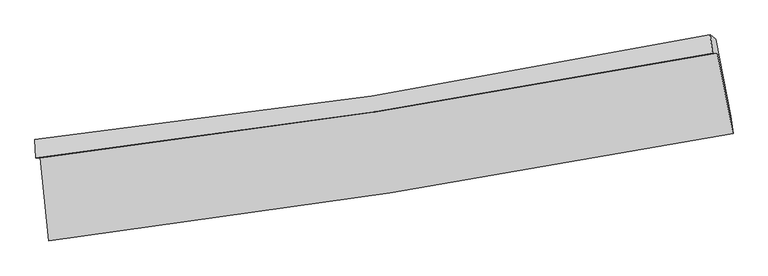
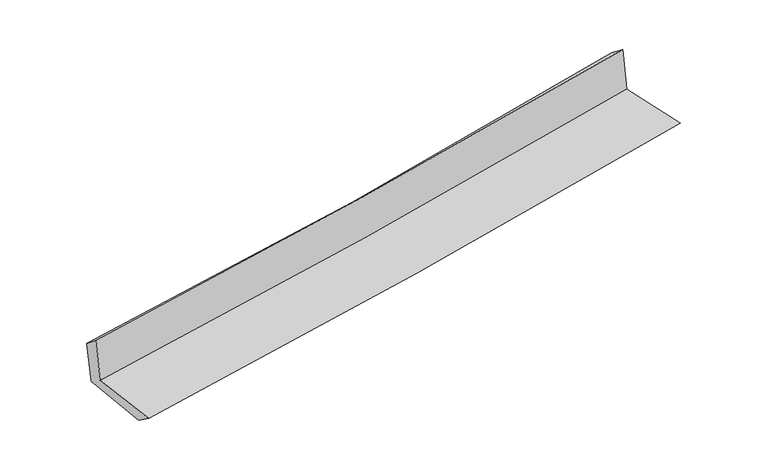
"""IFC4 building model written with IfcOpenShell, lengths in millimetres: proxy geometry."""

from ifc_helpers import new_model, si_unit, frame, origin, place, context, project, spatial, source, transform, mapped, element, save
from ifc_brep_helpers import plane_surface, spline_curve, spline_surface, advanced_brep


def generic_models_67e92027(model_context):
    return source(origin(), model_context, "Body", "AdvancedBrep", [
        advanced_brep(
        [(-2756.7180587, -1907.7644441, 1634.3062551), (-2686.2531052, -2578.2851524, 1635.1771503), (2845.9907858, -1708.106386, 2126.6637024), (2717.7864441, -1056.4135245, 2120.4081117), (-2794.4974344, -1909.1790428, 2047.5141245), (2679.9648277, -1057.8857257, 2528.6413104), (-2799.714541, -1756.9744897, 1929.8951914), (2661.4756681, -910.1241981, 2413.9060237), (-2762.7071938, -1771.83305, 1543.7504314), (2704.614252, -943.7190374, 2022.9503451), (-2692.1099179, -2429.5123799, 1528.46098), (2827.5917279, -1566.2398772, 2023.4417191)],
        [
            (0, 1),
            (1, 2, spline_curve(3, [(-2686.2531052, -2578.2851524, 1635.1771503), (-1765.671222326, -2463.26743772, 1721.251818478), (-847.012364015, -2333.746921982, 1805.023116661), (997.113892735, -2044.026404086, 1968.905819426), (1922.536331518, -1883.48733109, 2048.96337173), (2845.9907858, -1708.106386, 2126.6637024)], [4, 2, 4], [0.0, 9.12122598247194, 18.348461699551684])),
            (2, 3),
            (3, 0, spline_curve(3, [(2717.7864441, -1056.4135245, 2120.4081117), (1804.844668359, -1231.376128252, 2043.682648633), (889.515575208, -1390.120069741, 1964.563638563), (-935.373798948, -1673.533184663, 1802.475004347), (-1844.87953982, -1798.572883328, 1719.560062194), (-2756.7180587, -1907.7644441, 1634.3062551)], [4, 2, 4], [0.0, 9.227235717079745, 18.348461699551684])),
            (4, 0),
            (3, 5),
            (5, 4, spline_curve(3, [(2679.9648277, -1057.8857257, 2528.6413104), (1766.879131128, -1232.840219348, 2454.425687991), (851.482053835, -1391.575273297, 2376.973707816), (-973.39150475, -1674.969169941, 2216.524042816), (-1882.815181708, -1799.998554889, 2133.60029441), (-2794.4974344, -1909.1790428, 2047.5141245)], [4, 2, 4], [0.0, 9.177341023963978, 18.249245542761525])),
            (6, 4),
            (5, 7),
            (7, 6, spline_curve(3, [(2661.4756681, -910.1241981, 2413.9060237), (1752.934478311, -1097.992651585, 2337.224787575), (840.915347928, -1262.772836872, 2258.304034307), (-979.560844187, -1544.528802248, 2096.915927449), (-1887.93845001, -1662.032047621, 2014.499736361), (-2799.714541, -1756.9744897, 1929.8951914)], [4, 2, 4], [0.0, 9.166612270196007, 18.227911295579442])),
            (8, 6),
            (7, 9),
            (9, 8, spline_curve(3, [(2704.614252, -943.7190374, 2022.9503451), (1793.622872624, -1122.123279818, 1948.715245412), (879.868867954, -1280.619249512, 1871.416050021), (-942.634727524, -1556.202437533, 1711.612744416), (-1851.321205077, -1673.744472332, 1629.178635159), (-2762.7071938, -1771.83305, 1543.7504314)], [4, 2, 4], [0.0, 9.158247317064726, 18.211277492471567])),
            (10, 8),
            (9, 11),
            (11, 10, spline_curve(3, [(2827.5917279, -1566.2398772, 2023.4417191), (1906.673478713, -1741.935690727, 1943.401056954), (983.569115263, -1902.04909679, 1861.88554287), (-856.381376566, -2189.450608326, 1696.858269269), (-1773.17756151, -2317.094703373, 1613.380203804), (-2692.1099179, -2429.5123799, 1528.46098)], [4, 2, 4], [0.0, 9.207656055857173, 18.30952732364021])),
            (1, 10),
            (11, 2),
        ],
        [
            spline_surface(3, 3, [[(-2756.7180587, -1907.7644441, 1634.3062551), (-1844.879539894, -1798.572883313, 1719.560062346), (-935.373798835, -1673.533184768, 1802.475004365), (889.515575094, -1390.120069635, 1964.563638545), (1804.844668274, -1231.376128331, 2043.682648708), (2717.7864441, -1056.4135245, 2120.4081117)], [(-2733.229740853, -2131.271346864, 1634.596553497), (-1818.476767327, -2020.137734746, 1720.123981009), (-905.919987229, -1893.604430456, 1803.324375097), (925.381680971, -1608.088847827, 1966.011032153), (1844.075222681, -1448.746529296, 2045.442889746), (2760.521224658, -1273.644478349, 2122.493308597)], [(-2709.741423047, -2354.778249636, 1634.886851903), (-1792.073994802, -2241.702586187, 1720.687899679), (-876.466175616, -2113.675676158, 1804.173745907), (961.247786853, -1826.057626032, 1967.458425839), (1883.305777113, -1666.116930216, 2047.203130793), (2803.256005242, -1490.875432151, 2124.578505503)], [(-2686.2531052, -2578.2851524, 1635.1771503), (-1765.671222234, -2463.26743762, 1721.251818342), (-847.01236401, -2333.746921845, 1805.02311664), (997.113892729, -2044.026404224, 1968.905819448), (1922.536331521, -1883.487331181, 2048.963371831), (2845.9907858, -1708.106386, 2126.6637024)]], [4, 4], [4, 2, 4], [0.0, 2.179510068441961], [0.0, 9.12122598247194, 18.348461699551684]),
            spline_surface(3, 3, [[(-2794.4974344, -1909.1790428, 2047.5141245), (-1882.815181858, -1799.998555024, 2133.600294317), (-973.391504892, -1674.96916989, 2216.524042772), (851.482053978, -1391.575273349, 2376.97370786), (1766.879131019, -1232.840219469, 2454.42568807), (2679.9648277, -1057.8857257, 2528.6413104)], [(-2781.904309169, -1908.707509891, 1909.778168015), (-1870.169967873, -1799.523331111, 1995.586883642), (-960.718936222, -1674.490508179, 2078.507696652), (864.159894335, -1391.090205441, 2239.503684771), (1779.534310102, -1232.352189081, 2317.511341622), (2692.572033165, -1057.394991958, 2392.563577506)], [(-2769.311183931, -1908.235977009, 1772.042211585), (-1857.52475388, -1799.048107226, 1857.573473022), (-948.046367505, -1674.011846479, 1940.491350484), (876.837734738, -1390.605137543, 2102.033661634), (1792.189489191, -1231.864158719, 2180.596995156), (2705.179238635, -1056.904258242, 2256.485844594)], [(-2756.7180587, -1907.7644441, 1634.3062551), (-1844.879539894, -1798.572883313, 1719.560062346), (-935.373798835, -1673.533184768, 1802.475004365), (889.515575094, -1390.120069635, 1964.563638545), (1804.844668274, -1231.376128331, 2043.682648708), (2717.7864441, -1056.4135245, 2120.4081117)]], [4, 4], [4, 2, 4], [0.0, 1.3614450401667768], [0.0, 9.071904518797547, 18.249245542761525]),
            spline_surface(3, 3, [[(-2799.714541, -1756.9744897, 1929.8951914), (-1887.938450127, -1662.032047741, 2014.4997363), (-979.560844099, -1544.528802394, 2096.915927305), (840.915347839, -1262.772836725, 2258.304034452), (1752.934478164, -1097.992651542, 2337.224787578), (2661.4756681, -910.1241981, 2413.9060237)], [(-2797.975505482, -1807.709340735, 1969.101502424), (-1886.230694052, -1708.020883504, 2054.199922297), (-977.50439768, -1588.008924887, 2136.78529911), (844.437583235, -1305.706982261, 2297.860592238), (1757.582695774, -1142.941840844, 2376.2917544), (2667.638721292, -959.378040627, 2452.151119258)], [(-2796.236469918, -1858.444191765, 2008.307813476), (-1884.522937933, -1754.009719262, 2093.900108321), (-975.447951311, -1631.489047396, 2176.654670966), (847.959818582, -1348.641127813, 2337.417150075), (1762.230913408, -1187.891030167, 2415.358721248), (2673.801774508, -1008.631883173, 2490.396214842)], [(-2794.4974344, -1909.1790428, 2047.5141245), (-1882.815181858, -1799.998555024, 2133.600294317), (-973.391504892, -1674.96916989, 2216.524042772), (851.482053978, -1391.575273349, 2376.97370786), (1766.879131019, -1232.840219469, 2454.42568807), (2679.9648277, -1057.8857257, 2528.6413104)]], [4, 4], [4, 2, 4], [0.0, 0.5782348220921184], [0.0, 9.061299025383436, 18.227911295579442]),
            spline_surface(3, 3, [[(-2762.7071938, -1771.83305, 1543.7504314), (-1851.321205107, -1673.74447232, 1629.178635277), (-942.634727633, -1556.202437605, 1711.612744409), (879.868868064, -1280.61924944, 1871.416050028), (1793.622872533, -1122.123279954, 1948.715245443), (2704.614252, -943.7190374, 2022.9503451)], [(-2775.042976186, -1766.880196566, 1672.465351415), (-1863.526953433, -1669.840330793, 1757.619002299), (-954.943433118, -1552.311225882, 1840.047138703), (866.884361326, -1274.670445216, 2000.378711497), (1780.060074435, -1114.079737147, 2078.218426145), (2690.234724059, -932.520757631, 2153.268904623)], [(-2787.378758614, -1761.927343134, 1801.180271385), (-1875.732701802, -1665.936189269, 1886.059369278), (-967.252138614, -1548.420014116, 1968.481533012), (853.899854577, -1268.721640948, 2129.341372983), (1766.497276262, -1106.036194349, 2207.721606877), (2675.855196041, -921.322477869, 2283.587464177)], [(-2799.714541, -1756.9744897, 1929.8951914), (-1887.938450127, -1662.032047741, 2014.4997363), (-979.560844099, -1544.528802394, 2096.915927305), (840.915347839, -1262.772836725, 2258.304034452), (1752.934478164, -1097.992651542, 2337.224787578), (2661.4756681, -910.1241981, 2413.9060237)]], [4, 4], [4, 2, 4], [0.0, 1.2737781314911392], [0.0, 9.05303017540684, 18.211277492471567]),
            spline_surface(3, 3, [[(-2692.1099179, -2429.5123799, 1528.46098), (-1773.177561531, -2317.094703244, 1613.380203657), (-856.38137648, -2189.450608454, 1696.858269295), (983.569115176, -1902.049096661, 1861.885542843), (1906.673478711, -1741.935690584, 1943.401056903), (2827.5917279, -1566.2398772, 2023.4417191)], [(-2715.642343215, -2210.285936601, 1533.557463795), (-1799.225442738, -2102.644626271, 1618.646347526), (-885.132493557, -1978.367884835, 1701.776427698), (949.002366113, -1694.905814251, 1865.062378603), (1868.989943292, -1535.331553726, 1945.172453086), (2786.599235907, -1358.732930618, 2023.27792777)], [(-2739.174768485, -1991.059493299, 1538.653947605), (-1825.273323901, -1888.194549294, 1623.912491408), (-913.883610556, -1767.285161224, 1706.694586007), (914.435617128, -1487.76253185, 1868.239214268), (1831.306407951, -1328.727416813, 1946.94384926), (2745.606743993, -1151.225983982, 2023.11413643)], [(-2762.7071938, -1771.83305, 1543.7504314), (-1851.321205107, -1673.74447232, 1629.178635277), (-942.634727633, -1556.202437605, 1711.612744409), (879.868868064, -1280.61924944, 1871.416050028), (1793.622872533, -1122.123279954, 1948.715245443), (2704.614252, -943.7190374, 2022.9503451)]], [4, 4], [4, 2, 4], [0.0, 2.08186177853216], [0.0, 9.101871267783038, 18.30952732364021]),
            spline_surface(3, 3, [[(-2686.2531052, -2578.2851524, 1635.1771503), (-1765.671222234, -2463.26743762, 1721.251818342), (-847.01236401, -2333.746921845, 1805.02311664), (997.113892729, -2044.026404224, 1968.905819448), (1922.536331521, -1883.487331181, 2048.963371831), (2845.9907858, -1708.106386, 2126.6637024)], [(-2688.205376096, -2528.694228244, 1599.605093554), (-1768.17333533, -2414.543192839, 1685.294613467), (-850.135368143, -2285.648150716, 1768.968167525), (992.598966902, -1996.700635038, 1933.232393913), (1917.248713936, -1836.303450967, 2013.775933534), (2839.857766519, -1660.817549718, 2092.256374646)], [(-2690.157647004, -2479.103304056, 1564.033036746), (-1770.675448436, -2365.818948026, 1649.337408532), (-853.258372347, -2237.549379583, 1732.91321841), (988.084041003, -1949.374865848, 1897.558968377), (1911.961096295, -1789.119570798, 1978.5884952), (2833.724747181, -1613.528713482, 2057.849046854)], [(-2692.1099179, -2429.5123799, 1528.46098), (-1773.177561531, -2317.094703244, 1613.380203657), (-856.38137648, -2189.450608454, 1696.858269295), (983.569115176, -1902.049096661, 1861.885542843), (1906.673478711, -1741.935690584, 1943.401056903), (2827.5917279, -1566.2398772, 2023.4417191)]], [4, 4], [4, 2, 4], [0.0, 0.5886421471493625], [0.0, 9.15955286823804, 18.425560918109998]),
            plane_surface(frame((2739.5706176, -1207.0814582, 2206.0018687), z_axis=(0.9769379433089403, 0.19306370386275784, 0.09120669478766874), x_axis=(-0.10927784863166633, 0.08510181464753269, 0.9903615667735353))),
            plane_surface(frame((-2748.6667085, -2058.9247598, 1719.8506888), z_axis=(-0.9903930851198628, -0.10419838352639126, -0.09090783144068272), x_axis=(-0.1045142741404504, 0.9945225477387317, -0.0012917198445876739))),
        ],
        [
            (0, [[1, 2, 3, 4]]),
            (1, [[5, -4, 6, 7]]),
            (2, [[8, -7, 9, 10]]),
            (3, [[11, -10, 12, 13]]),
            (4, [[14, -13, 15, 16]]),
            (5, [[17, -16, 18, -2]]),
            (6, [[-12, -9, -6, -3, -18, -15]]),
            (7, [[-1, -5, -8, -11, -14, -17]]),
        ],
    ),
    ])


if __name__ == "__main__":
    model = new_model("IFC4")
    model_context = context("Model", 3, world=origin())
    ifc_project = project(units=[si_unit("LENGTHUNIT", "METRE", prefix="MILLI")], contexts=[model_context])
    site = spatial("IfcSite", under=ifc_project)
    building = spatial("IfcBuilding", under=site)
    placement = place(None, origin())
    generic_models_shape = generic_models_67e92027(model_context)
    element("IfcBuildingElementProxy", 1, Name="Generic Models", at=placement, inside=building, context=model_context, shape_type="MappedRepresentation", body=[
        mapped(generic_models_shape, transform((0.0, 0.0, 0.0), x_axis=(1.0, 0.0, 0.0), y_axis=(0.0, 1.0, 0.0), z_axis=(0.0, 0.0, 1.0))),
    ])
    save(model, "model.ifc")
